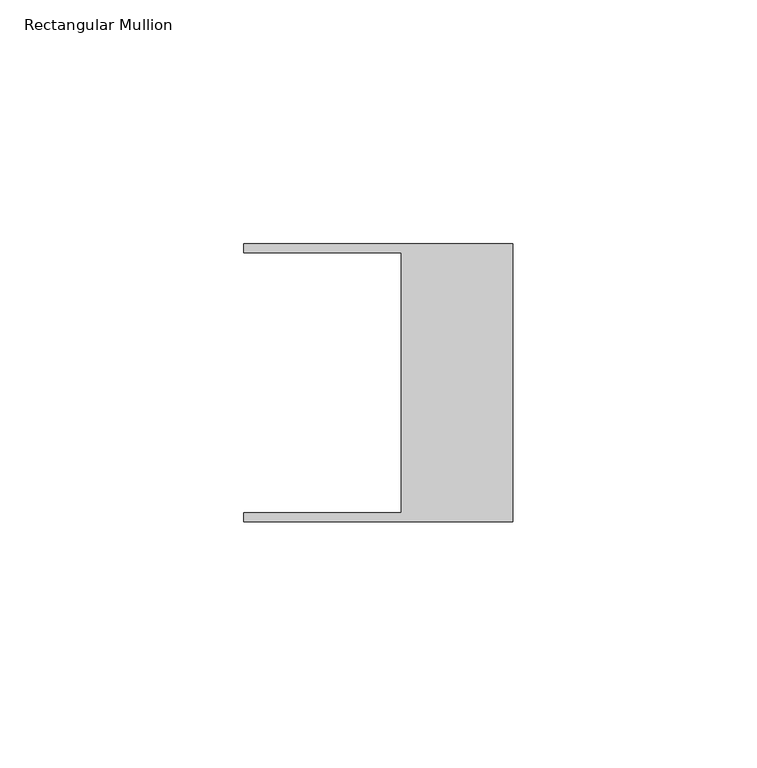
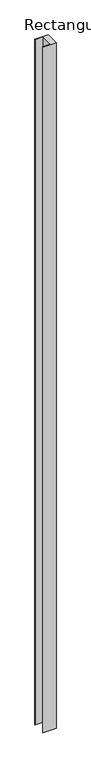
"""IFC4 building model written with IfcOpenShell, lengths in millimetres: member geometry, Rectangular Mullion."""

from ifc_helpers import new_model, si_unit, frame, origin, place, context, project, spatial, polyline, outline, extrude, source, transform, mapped, element, save


def rectangular_mullion_334ed92f(model_context):
    return source(origin(), model_context, "Body", "SweptSolid", [
        extrude(outline(polyline([(-55.118, 26.67), (-55.118, 28.448), (0.0, 28.448), (0.0, -28.448), (-55.118, -28.448), (-55.118, -26.67), (-22.86, -26.67), (-22.86, 26.67), (-55.118, 26.67)])), frame((0.0, 0.0, -3013.520228), z_axis=(0.0, 0.0, 1.0), x_axis=(1.0, 0.0, 0.0)), (0.0, 0.0, 1.0), 3013.520228),
    ])


if __name__ == "__main__":
    model = new_model("IFC4")
    model_context = context("Model", 3, world=origin())
    ifc_project = project(units=[si_unit("LENGTHUNIT", "METRE", prefix="MILLI")], contexts=[model_context])
    site = spatial("IfcSite", under=ifc_project)
    building = spatial("IfcBuilding", under=site)
    placement = place(None, origin())
    rectangular_mullion_shape = rectangular_mullion_334ed92f(model_context)
    element("IfcMember", 1, ObjectType="Rectangular Mullion", at=placement, inside=building, context=model_context, shape_type="MappedRepresentation", body=[
        mapped(rectangular_mullion_shape, transform((0.0, 0.0, 0.0), x_axis=(1.0, 0.0, 0.0), y_axis=(0.0, 1.0, 0.0), z_axis=(0.0, 0.0, 1.0))),
    ])
    save(model, "model.ifc")
